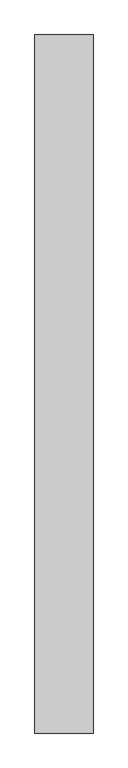
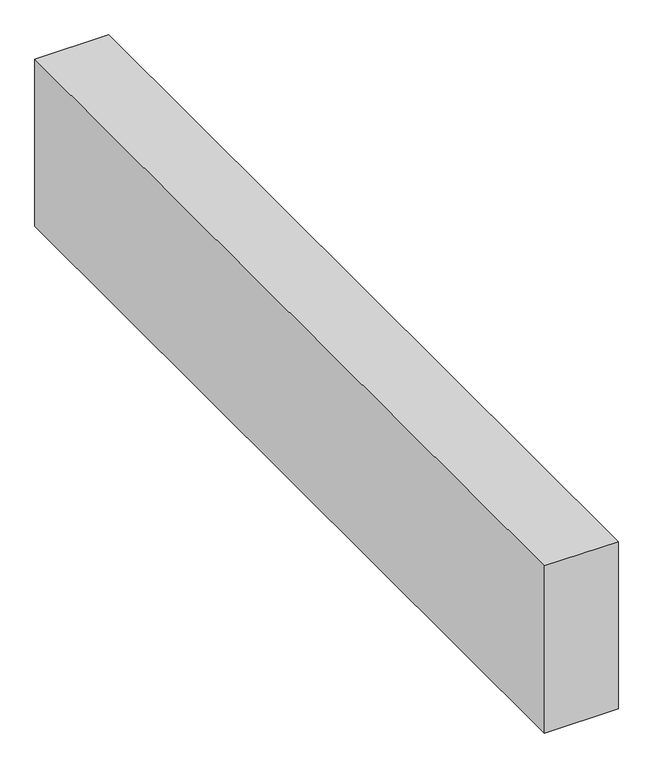
"""IFC4 building model written with IfcOpenShell, lengths in millimetres: proxy geometry."""

from ifc_helpers import new_model, si_unit, frame, origin, place, context, project, spatial, polyline, outline, extrude, source, transform, mapped, element, save


def generic_models_b1e3b298(model_context):
    return source(origin(), model_context, "Body", "SweptSolid", [
        extrude(outline(polyline([(500.0, 6000.0), (500.0, 0.0), (0.0, 0.0), (0.0, 6000.0), (500.0, 6000.0)])), frame((0.0, 0.0, 3000.0), z_axis=(0.0, 0.0, 1.0), x_axis=(1.0, 0.0, 0.0)), (0.0, 0.0, 1.0), 1200.0),
    ])


if __name__ == "__main__":
    model = new_model("IFC4")
    model_context = context("Model", 3, world=origin())
    ifc_project = project(units=[si_unit("LENGTHUNIT", "METRE", prefix="MILLI")], contexts=[model_context])
    site = spatial("IfcSite", under=ifc_project)
    building = spatial("IfcBuilding", under=site)
    placement = place(None, origin())
    generic_models_shape = generic_models_b1e3b298(model_context)
    element("IfcBuildingElementProxy", 1, Name="Generic Models", at=placement, inside=building, context=model_context, shape_type="MappedRepresentation", body=[
        mapped(generic_models_shape, transform((0.0, 0.0, 0.0), x_axis=(1.0, 0.0, 0.0), y_axis=(0.0, 1.0, 0.0), z_axis=(0.0, 0.0, 1.0))),
    ])
    save(model, "model.ifc")
